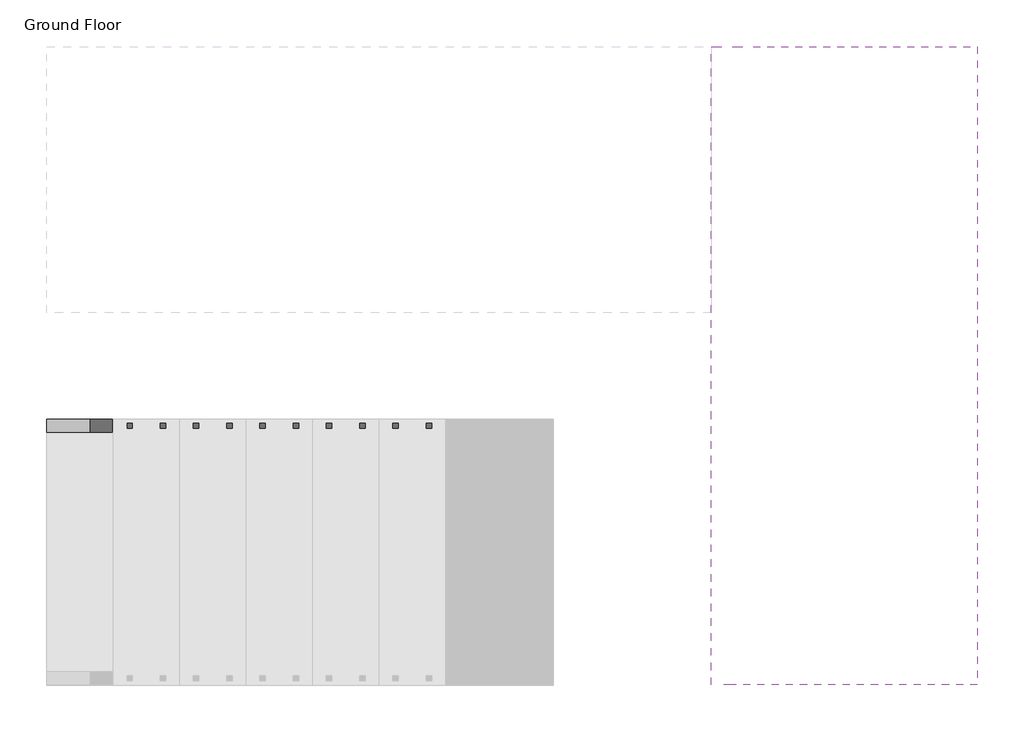
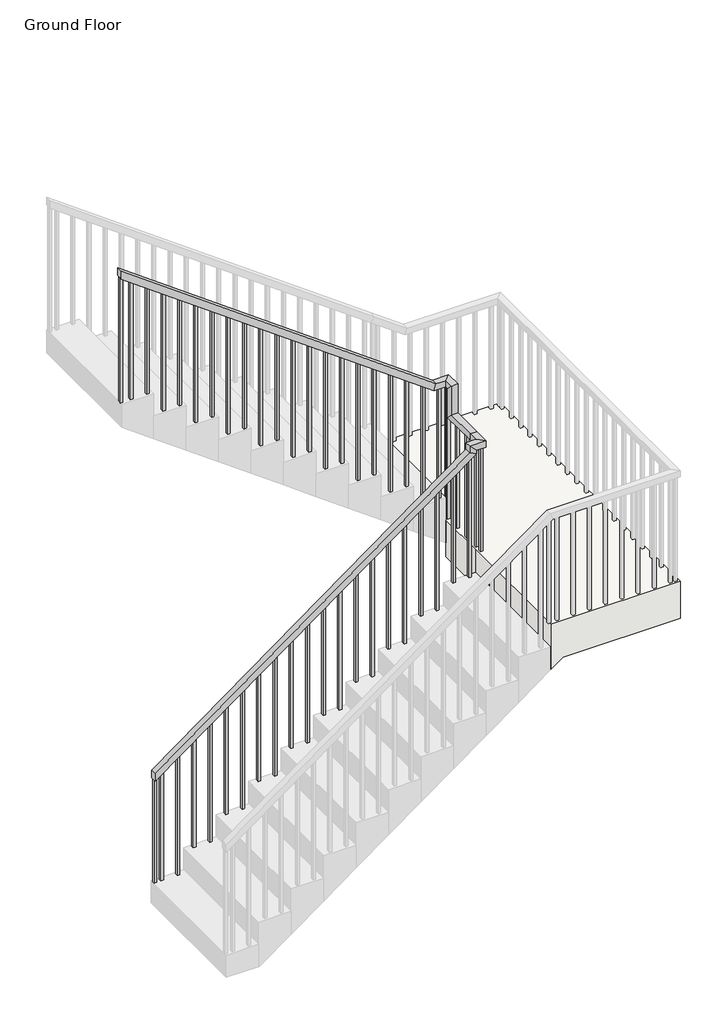
# One storey, part 2 of 2: 1 railing, 1 slab.
"""IFC4 building model written with IfcOpenShell, lengths in millimetres."""

import ifcopenshell
import ifcopenshell.guid

model = None  # the IFC model being written
_history = None  # IfcOwnerHistory: only IFC2X3 demands one
_inside = {}  # id of a spatial element -> (the spatial element, [elements in it])
_under = {}  # id of a project, library or spatial element -> (it, [spatial elements below it])
_declared = {}  # id of a project -> (the project, [libraries it declares])
_typed = {}  # id of a type object -> (the type object, [elements of that type])
_made_of = {}  # id of a material, layer set ... -> (it, [elements and type objects made of it])


def new_model(schema):
    """Start an empty IFC model of exactly this schema.

    Asked for "IFC4X3", IfcOpenShell would pick the latest addendum, in which some entities
    have other attributes; the version numbers below select the first issue.
    IFC2X3 requires an IfcOwnerHistory on every rooted entity: one is made here for all.
    """
    global model, _history
    if schema == "IFC4X3":
        model = ifcopenshell.file(schema_version=(4, 3, 0, 0))
    else:
        model = ifcopenshell.file(schema=schema)
    _inside.clear()
    _under.clear()
    _declared.clear()
    _typed.clear()
    _made_of.clear()
    _history = None
    if model.schema == "IFC2X3":
        org = make("IfcOrganization", Name="unknown")
        user = make(
            "IfcPersonAndOrganization",
            ThePerson=make("IfcPerson", FamilyName="unknown"),
            TheOrganization=org,
        )
        app = make(
            "IfcApplication",
            ApplicationDeveloper=org,
            Version="unknown",
            ApplicationFullName="unknown",
            ApplicationIdentifier="unknown",
        )
        _history = make(
            "IfcOwnerHistory",
            OwningUser=user,
            OwningApplication=app,
            ChangeAction="ADDED",
            CreationDate=0,
        )
    return model


def make(cls, **values):
    """One entity of the class cls with the attributes given. An attribute that is None is left unset."""
    return model.create_entity(
        cls, **{name: value for name, value in values.items() if value is not None}
    )


def rooted(cls, **values):
    """An entity with a GlobalId (a new one), such as an element, a storey or a relation."""
    return make(cls, GlobalId=ifcopenshell.guid.new(), OwnerHistory=_history, **values)


def si_unit(unit_type, name, prefix=None):
    """IfcSIUnit, for example si_unit("LENGTHUNIT", "METRE", prefix="MILLI")."""
    return make("IfcSIUnit", UnitType=unit_type, Prefix=prefix, Name=name)


def assignment(units):
    """IfcUnitAssignment: the units of a project."""
    return None if units is None else make("IfcUnitAssignment", Units=units)


def point(xyz):
    """IfcCartesianPoint."""
    return None if xyz is None else make("IfcCartesianPoint", Coordinates=xyz)


def direction(xyz):
    """IfcDirection."""
    return None if xyz is None else make("IfcDirection", DirectionRatios=xyz)


def frame(location, z_axis=None, x_axis=None):
    """IfcAxis2Placement3D, a coordinate frame: its origin and axes. An axis left out is left unset."""
    return make(
        "IfcAxis2Placement3D",
        Location=point(location),
        Axis=direction(z_axis),
        RefDirection=direction(x_axis),
    )


def origin():
    """The frame at (0, 0, 0) with its axes left unset."""
    return frame((0.0, 0.0, 0.0))


def place(relative_to, where):
    """IfcLocalPlacement: puts the frame where relative to a parent placement (None: the world)."""
    return make(
        "IfcLocalPlacement", PlacementRelTo=relative_to, RelativePlacement=where
    )


def context(
    kind, dimensions, precision=None, world=None, true_north=None, identifier=None
):
    """IfcGeometricRepresentationContext, for example the 3D "Model" context."""
    return make(
        "IfcGeometricRepresentationContext",
        ContextIdentifier=identifier,
        ContextType=kind,
        CoordinateSpaceDimension=dimensions,
        Precision=precision,
        WorldCoordinateSystem=world,
        TrueNorth=true_north,
    )


def project(units=None, contexts=None):
    """IfcProject with its units and contexts."""
    return rooted(
        "IfcProject",
        Name="project",
        RepresentationContexts=contexts,
        UnitsInContext=assignment(units),
    )


def spatial(cls, under=None, at=None, **own):
    """A site, building, storey or space (cls), placed at a placement, below another one or the project."""
    s = rooted(cls, ObjectPlacement=at, **own)
    if under is not None:
        _under.setdefault(under.id(), (under, []))[1].append(s)
    return s


def polyline(points):
    """IfcPolyline through the points."""
    return make("IfcPolyline", Points=[point(p) for p in points])


def outline(outer, holes=None, kind="AREA"):
    """IfcArbitraryClosedProfileDef: a profile drawn as a closed curve; with holes, ...WithVoids."""
    if holes is None:
        return make("IfcArbitraryClosedProfileDef", ProfileType=kind, OuterCurve=outer)
    return make(
        "IfcArbitraryProfileDefWithVoids",
        ProfileType=kind,
        OuterCurve=outer,
        InnerCurves=holes,
    )


def extrude(swept, where, along, depth):
    """IfcExtrudedAreaSolid: the profile swept, set in the frame where, extruded along a direction by depth."""
    return make(
        "IfcExtrudedAreaSolid",
        SweptArea=swept,
        Position=where,
        ExtrudedDirection=direction(along),
        Depth=depth,
    )


def faces_of(points, faces, orient=None, outer=None):
    """IfcFace entities. A face is a list of loops; a loop is a list of indices into points, from 0.

    orient and outer hold one flag for each loop. By default every Orientation is true, the
    first loop of a face is its IfcFaceOuterBound and the others are IfcFaceBound.
    """
    made = []
    for i, loops in enumerate(faces):
        bounds = []
        for j, loop in enumerate(loops):
            is_outer = j == 0 if outer is None else outer[i][j]
            bounds.append(
                make(
                    "IfcFaceOuterBound" if is_outer else "IfcFaceBound",
                    Bound=make("IfcPolyLoop", Polygon=[points[k] for k in loop]),
                    Orientation=True if orient is None else orient[i][j],
                )
            )
        made.append(make("IfcFace", Bounds=bounds))
    return made


def faceted_brep(points, faces, orient=None, outer=None, voids=None):
    """IfcFacetedBrep: a solid bounded by flat faces; with voids (closed shells), ...WithVoids."""
    shared = [point(p) for p in points]
    hull = make("IfcClosedShell", CfsFaces=faces_of(shared, faces, orient, outer))
    if voids is None:
        return make("IfcFacetedBrep", Outer=hull)
    return make(
        "IfcFacetedBrepWithVoids",
        Outer=hull,
        Voids=[
            make(cls, CfsFaces=faces_of(shared, fs, o, b)) for cls, fs, o, b in voids
        ],
    )


def shape(context_of_items, identifier, shape_type, items):
    """IfcShapeRepresentation: the items that make up one representation, for example the "Body"."""
    return make(
        "IfcShapeRepresentation",
        ContextOfItems=context_of_items,
        RepresentationIdentifier=identifier,
        RepresentationType=shape_type,
        Items=items,
    )


def made_of(thing, what):
    """Note that an element or type object is made of a material, layer set ...; save() writes the relation."""
    if what is not None:
        _made_of.setdefault(what.id(), (what, []))[1].append(thing)
    return thing


def element(
    cls,
    number,
    at=None,
    inside=None,
    cuts=None,
    type_object=None,
    material=None,
    context=None,
    identifier="Body",
    shape_type=None,
    held_by="IfcProductDefinitionShape",
    body=None,
    shapes=None,
    **own,
):
    """One element of the class cls, such as IfcWall. Its Tag is "e" and its number.

    at: its placement. inside: the storey or other place that contains it. cuts: it is an
    opening in that element (IfcRelVoidsElement). A single representation is given by context,
    identifier, shape_type and body (its items); several are given by shapes. held_by: the class
    of the entity that holds the representations. save() writes the other relations.
    """
    e = rooted(cls, Tag="e%d" % number, ObjectPlacement=at, **own)
    if body is not None:
        shapes = [shape(context, identifier, shape_type, body)]
    if shapes is not None:
        e.Representation = make(held_by, Representations=shapes)
    if inside is not None:
        _inside.setdefault(inside.id(), (inside, []))[1].append(e)
    if cuts is not None:
        rooted(
            "IfcRelVoidsElement", RelatingBuildingElement=cuts, RelatedOpeningElement=e
        )
    if type_object is not None:
        _typed.setdefault(type_object.id(), (type_object, []))[1].append(e)
    return made_of(e, material)


def aggregate(whole, parts):
    """IfcRelAggregates: a whole, such as a stair, and the parts it consists of."""
    return rooted("IfcRelAggregates", RelatingObject=whole, RelatedObjects=parts)


def save(model, path):
    """Write the relations noted so far, then the file.

    IfcRelAggregates (storeys below a building ...), IfcRelContainedInSpatialStructure (elements
    in a storey), IfcRelDefinesByType, IfcRelAssociatesMaterial and IfcRelDeclares: one each for
    every whole, place, type object, material and project.
    """
    for whole, parts in _under.values():
        aggregate(whole, parts)
    for where, things in _inside.values():
        rooted(
            "IfcRelContainedInSpatialStructure",
            RelatedElements=things,
            RelatingStructure=where,
        )
    for kind, things in _typed.values():
        rooted("IfcRelDefinesByType", RelatedObjects=things, RelatingType=kind)
    for what, things in _made_of.values():
        rooted("IfcRelAssociatesMaterial", RelatedObjects=things, RelatingMaterial=what)
    for by, libraries in _declared.values():
        rooted("IfcRelDeclares", RelatingContext=by, RelatedDefinitions=libraries)
    model.write(path)


model = new_model("IFC4")

# Units and contexts
model_context = context("Model", 3, world=origin())
ifc_project = project(units=[si_unit("LENGTHUNIT", "METRE", prefix="MILLI")], contexts=[model_context])

# Site, building, storey
site = spatial("IfcSite", under=ifc_project)
building = spatial("IfcBuilding", under=site)
storey = spatial("IfcBuildingStorey", under=building, Name="Ground Floor", Elevation=0.0)

# Railing
placement = place(None, origin())
element("IfcRailing", 1, ObjectType="900mm", at=placement, inside=storey, context=model_context, shape_type="SolidModel", body=[
    faceted_brep([(-5015.7705713, 2883.9919433, 1081.8181818), (-5015.7705713, 2883.9919433, 1019.9933159), (-5015.7705713, 2833.9919433, 1019.9933159), (-5015.7705713, 2833.9919433, 1081.8181818), (-2590.3705713, 2883.9919433, 2845.7454545), (-2540.3705713, 2883.9919433, 2820.284225), (-2540.3705713, 2833.9919433, 2820.284225), (-2590.3705713, 2833.9919433, 2845.7454545), (-2590.3705713, 2883.9919433, 2900.0), (-2540.3705713, 2883.9919433, 2850.0), (-2540.3705713, 2833.9919433, 2850.0), (-2590.3705713, 2833.9919433, 2900.0), (-2515.3705713, 2883.9919433, 2900.0), (-2515.3705713, 2883.9919433, 2850.0), (-2465.3705713, 2833.9919433, 2850.0), (-2465.3705713, 2833.9919433, 2900.0), (-2515.3705713, 2958.9919433, 2900.0), (-2515.3705713, 2958.9919433, 2850.0), (-2465.3705713, 2958.9919433, 2850.0), (-2465.3705713, 2958.9919433, 2900.0), (-2515.3705713, 3209.7919433, 2900.0), (-2515.3705713, 3259.7919433, 2850.0), (-2465.3705713, 3259.7919433, 2850.0), (-2465.3705713, 3209.7919433, 2900.0), (-2515.3705713, 3209.7919433, 3136.0727273), (-2515.3705713, 3259.7919433, 3086.0727273), (-2465.3705713, 3259.7919433, 3086.0727273), (-2465.3705713, 3209.7919433, 3136.0727273), (-2515.3705713, 3284.7919433, 3136.0727273), (-2515.3705713, 3284.7919433, 3086.0727273), (-2465.3705713, 3334.7919433, 3086.0727273), (-2465.3705713, 3334.7919433, 3136.0727273), (-2590.3705713, 3284.7919433, 3136.0727273), (-2606.629762, 3284.7919433, 3086.0727273), (-2606.629762, 3334.7919433, 3086.0727273), (-2590.3705713, 3334.7919433, 3136.0727273), (-5015.7705713, 3284.7919433, 4900.0), (-5015.7705713, 3334.7919433, 4900.0), (-5015.7705713, 3334.7919433, 4838.1751341), (-5015.7705713, 3284.7919433, 4838.1751341)], [[[0, 1, 2, 3]], [[1, 0, 4, 5]], [[2, 1, 5, 6]], [[3, 2, 6, 7]], [[0, 3, 7, 4]], [[5, 4, 8, 9]], [[6, 5, 9, 10]], [[7, 6, 10, 11]], [[4, 7, 11, 8]], [[9, 8, 12, 13]], [[10, 9, 13, 14]], [[11, 10, 14, 15]], [[8, 11, 15, 12]], [[13, 12, 16, 17]], [[14, 13, 17, 18]], [[15, 14, 18, 19]], [[12, 15, 19, 16]], [[17, 16, 20, 21]], [[18, 17, 21, 22]], [[19, 18, 22, 23]], [[16, 19, 23, 20]], [[21, 20, 24, 25]], [[22, 21, 25, 26]], [[23, 22, 26, 27]], [[20, 23, 27, 24]], [[25, 24, 28, 29]], [[26, 25, 29, 30]], [[27, 26, 30, 31]], [[24, 27, 31, 28]], [[29, 28, 32, 33]], [[30, 29, 33, 34]], [[31, 30, 34, 35]], [[28, 31, 35, 32]], [[36, 37, 38, 39]], [[33, 32, 36, 39]], [[34, 33, 39, 38]], [[35, 34, 38, 37]], [[32, 35, 37, 36]]]),
    extrude(outline(polyline([(4766.9751341, -4917.8705713), (4781.5205886, -4937.8705713), (3818.1818182, -4937.8705713), (3818.1818182, -4917.8705713), (4766.9751341, -4917.8705713)])), frame((0.0, 3299.7919433, 0.0), z_axis=(0.0, 1.0, 0.0), x_axis=(0.0, 0.0, 1.0)), (0.0, 0.0, 1.0), 20.0),
    extrude(outline(polyline([(4676.0660431, -4792.8705713), (4690.6114977, -4812.8705713), (3818.1818182, -4812.8705713), (3818.1818182, -4792.8705713), (4676.0660431, -4792.8705713)])), frame((0.0, 3299.7919433, 0.0), z_axis=(0.0, 1.0, 0.0), x_axis=(0.0, 0.0, 1.0)), (0.0, 0.0, 1.0), 20.0),
    extrude(outline(polyline([(4585.1569522, -4667.8705713), (4599.7024068, -4687.8705713), (3636.3636364, -4687.8705713), (3636.3636364, -4667.8705713), (4585.1569522, -4667.8705713)])), frame((0.0, 3299.7919433, 0.0), z_axis=(0.0, 1.0, 0.0), x_axis=(0.0, 0.0, 1.0)), (0.0, 0.0, 1.0), 20.0),
    extrude(outline(polyline([(4494.2478613, -4542.8705713), (4508.7933159, -4562.8705713), (3636.3636364, -4562.8705713), (3636.3636364, -4542.8705713), (4494.2478613, -4542.8705713)])), frame((0.0, 3299.7919433, 0.0), z_axis=(0.0, 1.0, 0.0), x_axis=(0.0, 0.0, 1.0)), (0.0, 0.0, 1.0), 20.0),
    extrude(outline(polyline([(4403.3387704, -4417.8705713), (4417.884225, -4437.8705713), (3454.5454545, -4437.8705713), (3454.5454545, -4417.8705713), (4403.3387704, -4417.8705713)])), frame((0.0, 3299.7919433, 0.0), z_axis=(0.0, 1.0, 0.0), x_axis=(0.0, 0.0, 1.0)), (0.0, 0.0, 1.0), 20.0),
    extrude(outline(polyline([(4312.4296795, -4292.8705713), (4326.9751341, -4312.8705713), (3454.5454545, -4312.8705713), (3454.5454545, -4292.8705713), (4312.4296795, -4292.8705713)])), frame((0.0, 3299.7919433, 0.0), z_axis=(0.0, 1.0, 0.0), x_axis=(0.0, 0.0, 1.0)), (0.0, 0.0, 1.0), 20.0),
    extrude(outline(polyline([(4221.5205886, -4167.8705713), (4236.0660431, -4187.8705713), (3272.7272727, -4187.8705713), (3272.7272727, -4167.8705713), (4221.5205886, -4167.8705713)])), frame((0.0, 3299.7919433, 0.0), z_axis=(0.0, 1.0, 0.0), x_axis=(0.0, 0.0, 1.0)), (0.0, 0.0, 1.0), 20.0),
    extrude(outline(polyline([(4130.6114977, -4042.8705713), (4145.1569522, -4062.8705713), (3272.7272727, -4062.8705713), (3272.7272727, -4042.8705713), (4130.6114977, -4042.8705713)])), frame((0.0, 3299.7919433, 0.0), z_axis=(0.0, 1.0, 0.0), x_axis=(0.0, 0.0, 1.0)), (0.0, 0.0, 1.0), 20.0),
    extrude(outline(polyline([(4039.7024068, -3917.8705713), (4054.2478613, -3937.8705713), (3090.9090909, -3937.8705713), (3090.9090909, -3917.8705713), (4039.7024068, -3917.8705713)])), frame((0.0, 3299.7919433, 0.0), z_axis=(0.0, 1.0, 0.0), x_axis=(0.0, 0.0, 1.0)), (0.0, 0.0, 1.0), 20.0),
    extrude(outline(polyline([(3948.7933159, -3792.8705713), (3963.3387704, -3812.8705713), (3090.9090909, -3812.8705713), (3090.9090909, -3792.8705713), (3948.7933159, -3792.8705713)])), frame((0.0, 3299.7919433, 0.0), z_axis=(0.0, 1.0, 0.0), x_axis=(0.0, 0.0, 1.0)), (0.0, 0.0, 1.0), 20.0),
    extrude(outline(polyline([(3857.884225, -3667.8705713), (3872.4296795, -3687.8705713), (2909.0909091, -3687.8705713), (2909.0909091, -3667.8705713), (3857.884225, -3667.8705713)])), frame((0.0, 3299.7919433, 0.0), z_axis=(0.0, 1.0, 0.0), x_axis=(0.0, 0.0, 1.0)), (0.0, 0.0, 1.0), 20.0),
    extrude(outline(polyline([(3766.9751341, -3542.8705713), (3781.5205886, -3562.8705713), (2909.0909091, -3562.8705713), (2909.0909091, -3542.8705713), (3766.9751341, -3542.8705713)])), frame((0.0, 3299.7919433, 0.0), z_axis=(0.0, 1.0, 0.0), x_axis=(0.0, 0.0, 1.0)), (0.0, 0.0, 1.0), 20.0),
    extrude(outline(polyline([(3676.0660431, -3417.8705713), (3690.6114977, -3437.8705713), (2727.2727273, -3437.8705713), (2727.2727273, -3417.8705713), (3676.0660431, -3417.8705713)])), frame((0.0, 3299.7919433, 0.0), z_axis=(0.0, 1.0, 0.0), x_axis=(0.0, 0.0, 1.0)), (0.0, 0.0, 1.0), 20.0),
    extrude(outline(polyline([(3585.1569522, -3292.8705713), (3599.7024068, -3312.8705713), (2727.2727273, -3312.8705713), (2727.2727273, -3292.8705713), (3585.1569522, -3292.8705713)])), frame((0.0, 3299.7919433, 0.0), z_axis=(0.0, 1.0, 0.0), x_axis=(0.0, 0.0, 1.0)), (0.0, 0.0, 1.0), 20.0),
    extrude(outline(polyline([(3494.2478613, -3167.8705713), (3508.7933159, -3187.8705713), (2545.4545455, -3187.8705713), (2545.4545455, -3167.8705713), (3494.2478613, -3167.8705713)])), frame((0.0, 3299.7919433, 0.0), z_axis=(0.0, 1.0, 0.0), x_axis=(0.0, 0.0, 1.0)), (0.0, 0.0, 1.0), 20.0),
    extrude(outline(polyline([(3403.3387704, -3042.8705713), (3417.884225, -3062.8705713), (2545.4545455, -3062.8705713), (2545.4545455, -3042.8705713), (3403.3387704, -3042.8705713)])), frame((0.0, 3299.7919433, 0.0), z_axis=(0.0, 1.0, 0.0), x_axis=(0.0, 0.0, 1.0)), (0.0, 0.0, 1.0), 20.0),
    extrude(outline(polyline([(3312.4296795, -2917.8705713), (3326.9751341, -2937.8705713), (2363.6363636, -2937.8705713), (2363.6363636, -2917.8705713), (3312.4296795, -2917.8705713)])), frame((0.0, 3299.7919433, 0.0), z_axis=(0.0, 1.0, 0.0), x_axis=(0.0, 0.0, 1.0)), (0.0, 0.0, 1.0), 20.0),
    extrude(outline(polyline([(3221.5205886, -2792.8705713), (3236.0660431, -2812.8705713), (2363.6363636, -2812.8705713), (2363.6363636, -2792.8705713), (3221.5205886, -2792.8705713)])), frame((0.0, 3299.7919433, 0.0), z_axis=(0.0, 1.0, 0.0), x_axis=(0.0, 0.0, 1.0)), (0.0, 0.0, 1.0), 20.0),
    extrude(outline(polyline([(3130.6114977, -2667.8705713), (3145.1569522, -2687.8705713), (2181.8181818, -2687.8705713), (2181.8181818, -2667.8705713), (3130.6114977, -2667.8705713)])), frame((0.0, 3299.7919433, 0.0), z_axis=(0.0, 1.0, 0.0), x_axis=(0.0, 0.0, 1.0)), (0.0, 0.0, 1.0), 20.0),
    extrude(outline(polyline([(-2542.8705713, 3299.7919433), (-2562.8705713, 3299.7919433), (-2562.8705713, 3319.7919433), (-2542.8705713, 3319.7919433), (-2542.8705713, 3299.7919433)])), frame((0.0, 0.0, 2181.8181818), z_axis=(0.0, 0.0, 1.0), x_axis=(1.0, 0.0, 0.0)), (0.0, 0.0, 1.0), 904.2545455),
    extrude(outline(polyline([(-2500.3705713, 3286.4919433), (-2500.3705713, 3306.4919433), (-2480.3705713, 3306.4919433), (-2480.3705713, 3286.4919433), (-2500.3705713, 3286.4919433)])), frame((0.0, 0.0, 2000.0), z_axis=(0.0, 0.0, 1.0), x_axis=(1.0, 0.0, 0.0)), (0.0, 0.0, 1.0), 1086.0727273),
    extrude(outline(polyline([(-2500.3705713, 3161.4919433), (-2500.3705713, 3181.4919433), (-2480.3705713, 3181.4919433), (-2480.3705713, 3161.4919433), (-2500.3705713, 3161.4919433)])), frame((0.0, 0.0, 2000.0), z_axis=(0.0, 0.0, 1.0), x_axis=(1.0, 0.0, 0.0)), (0.0, 0.0, 1.0), 850.0),
    extrude(outline(polyline([(-2500.3705713, 3036.4919433), (-2500.3705713, 3056.4919433), (-2480.3705713, 3056.4919433), (-2480.3705713, 3036.4919433), (-2500.3705713, 3036.4919433)])), frame((0.0, 0.0, 2000.0), z_axis=(0.0, 0.0, 1.0), x_axis=(1.0, 0.0, 0.0)), (0.0, 0.0, 1.0), 850.0),
    extrude(outline(polyline([(-2500.3705713, 2911.4919433), (-2500.3705713, 2931.4919433), (-2480.3705713, 2931.4919433), (-2480.3705713, 2911.4919433), (-2500.3705713, 2911.4919433)])), frame((0.0, 0.0, 2000.0), z_axis=(0.0, 0.0, 1.0), x_axis=(1.0, 0.0, 0.0)), (0.0, 0.0, 1.0), 850.0),
    extrude(outline(polyline([(-2588.2705713, 2868.9919433), (-2568.2705713, 2868.9919433), (-2568.2705713, 2848.9919433), (-2588.2705713, 2848.9919433), (-2588.2705713, 2868.9919433)])), frame((0.0, 0.0, 1818.1818182), z_axis=(0.0, 0.0, 1.0), x_axis=(1.0, 0.0, 0.0)), (0.0, 0.0, 1.0), 1031.8181818),
    extrude(outline(polyline([(1818.1818182, -2713.2705713), (1818.1818182, -2693.2705713), (2709.084225, -2693.2705713), (2694.5387704, -2713.2705713), (1818.1818182, -2713.2705713)])), frame((0.0, 2848.9919433, 0.0), z_axis=(0.0, 1.0, 0.0), x_axis=(0.0, 0.0, 1.0)), (0.0, 0.0, 1.0), 20.0),
    extrude(outline(polyline([(1636.3636364, -2838.2705713), (1636.3636364, -2818.2705713), (2618.1751341, -2818.2705713), (2603.6296795, -2838.2705713), (1636.3636364, -2838.2705713)])), frame((0.0, 2848.9919433, 0.0), z_axis=(0.0, 1.0, 0.0), x_axis=(0.0, 0.0, 1.0)), (0.0, 0.0, 1.0), 20.0),
    extrude(outline(polyline([(1636.3636364, -2963.2705713), (1636.3636364, -2943.2705713), (2527.2660431, -2943.2705713), (2512.7205886, -2963.2705713), (1636.3636364, -2963.2705713)])), frame((0.0, 2848.9919433, 0.0), z_axis=(0.0, 1.0, 0.0), x_axis=(0.0, 0.0, 1.0)), (0.0, 0.0, 1.0), 20.0),
    extrude(outline(polyline([(1454.5454545, -3088.2705713), (1454.5454545, -3068.2705713), (2436.3569522, -3068.2705713), (2421.8114977, -3088.2705713), (1454.5454545, -3088.2705713)])), frame((0.0, 2848.9919433, 0.0), z_axis=(0.0, 1.0, 0.0), x_axis=(0.0, 0.0, 1.0)), (0.0, 0.0, 1.0), 20.0),
    extrude(outline(polyline([(1454.5454545, -3213.2705713), (1454.5454545, -3193.2705713), (2345.4478613, -3193.2705713), (2330.9024068, -3213.2705713), (1454.5454545, -3213.2705713)])), frame((0.0, 2848.9919433, 0.0), z_axis=(0.0, 1.0, 0.0), x_axis=(0.0, 0.0, 1.0)), (0.0, 0.0, 1.0), 20.0),
    extrude(outline(polyline([(1272.7272727, -3338.2705713), (1272.7272727, -3318.2705713), (2254.5387704, -3318.2705713), (2239.9933159, -3338.2705713), (1272.7272727, -3338.2705713)])), frame((0.0, 2848.9919433, 0.0), z_axis=(0.0, 1.0, 0.0), x_axis=(0.0, 0.0, 1.0)), (0.0, 0.0, 1.0), 20.0),
    extrude(outline(polyline([(1272.7272727, -3463.2705713), (1272.7272727, -3443.2705713), (2163.6296795, -3443.2705713), (2149.084225, -3463.2705713), (1272.7272727, -3463.2705713)])), frame((0.0, 2848.9919433, 0.0), z_axis=(0.0, 1.0, 0.0), x_axis=(0.0, 0.0, 1.0)), (0.0, 0.0, 1.0), 20.0),
    extrude(outline(polyline([(1090.9090909, -3588.2705713), (1090.9090909, -3568.2705713), (2072.7205886, -3568.2705713), (2058.1751341, -3588.2705713), (1090.9090909, -3588.2705713)])), frame((0.0, 2848.9919433, 0.0), z_axis=(0.0, 1.0, 0.0), x_axis=(0.0, 0.0, 1.0)), (0.0, 0.0, 1.0), 20.0),
    extrude(outline(polyline([(1090.9090909, -3713.2705713), (1090.9090909, -3693.2705713), (1981.8114977, -3693.2705713), (1967.2660431, -3713.2705713), (1090.9090909, -3713.2705713)])), frame((0.0, 2848.9919433, 0.0), z_axis=(0.0, 1.0, 0.0), x_axis=(0.0, 0.0, 1.0)), (0.0, 0.0, 1.0), 20.0),
    extrude(outline(polyline([(909.0909091, -3838.2705713), (909.0909091, -3818.2705713), (1890.9024068, -3818.2705713), (1876.3569522, -3838.2705713), (909.0909091, -3838.2705713)])), frame((0.0, 2848.9919433, 0.0), z_axis=(0.0, 1.0, 0.0), x_axis=(0.0, 0.0, 1.0)), (0.0, 0.0, 1.0), 20.0),
    extrude(outline(polyline([(909.0909091, -3963.2705713), (909.0909091, -3943.2705713), (1799.9933159, -3943.2705713), (1785.4478613, -3963.2705713), (909.0909091, -3963.2705713)])), frame((0.0, 2848.9919433, 0.0), z_axis=(0.0, 1.0, 0.0), x_axis=(0.0, 0.0, 1.0)), (0.0, 0.0, 1.0), 20.0),
    extrude(outline(polyline([(727.2727273, -4088.2705713), (727.2727273, -4068.2705713), (1709.084225, -4068.2705713), (1694.5387704, -4088.2705713), (727.2727273, -4088.2705713)])), frame((0.0, 2848.9919433, 0.0), z_axis=(0.0, 1.0, 0.0), x_axis=(0.0, 0.0, 1.0)), (0.0, 0.0, 1.0), 20.0),
    extrude(outline(polyline([(727.2727273, -4213.2705713), (727.2727273, -4193.2705713), (1618.1751341, -4193.2705713), (1603.6296795, -4213.2705713), (727.2727273, -4213.2705713)])), frame((0.0, 2848.9919433, 0.0), z_axis=(0.0, 1.0, 0.0), x_axis=(0.0, 0.0, 1.0)), (0.0, 0.0, 1.0), 20.0),
    extrude(outline(polyline([(545.4545455, -4338.2705713), (545.4545455, -4318.2705713), (1527.2660431, -4318.2705713), (1512.7205886, -4338.2705713), (545.4545455, -4338.2705713)])), frame((0.0, 2848.9919433, 0.0), z_axis=(0.0, 1.0, 0.0), x_axis=(0.0, 0.0, 1.0)), (0.0, 0.0, 1.0), 20.0),
    extrude(outline(polyline([(545.4545455, -4463.2705713), (545.4545455, -4443.2705713), (1436.3569522, -4443.2705713), (1421.8114977, -4463.2705713), (545.4545455, -4463.2705713)])), frame((0.0, 2848.9919433, 0.0), z_axis=(0.0, 1.0, 0.0), x_axis=(0.0, 0.0, 1.0)), (0.0, 0.0, 1.0), 20.0),
    extrude(outline(polyline([(363.6363636, -4588.2705713), (363.6363636, -4568.2705713), (1345.4478613, -4568.2705713), (1330.9024068, -4588.2705713), (363.6363636, -4588.2705713)])), frame((0.0, 2848.9919433, 0.0), z_axis=(0.0, 1.0, 0.0), x_axis=(0.0, 0.0, 1.0)), (0.0, 0.0, 1.0), 20.0),
    extrude(outline(polyline([(363.6363636, -4713.2705713), (363.6363636, -4693.2705713), (1254.5387704, -4693.2705713), (1239.9933159, -4713.2705713), (363.6363636, -4713.2705713)])), frame((0.0, 2848.9919433, 0.0), z_axis=(0.0, 1.0, 0.0), x_axis=(0.0, 0.0, 1.0)), (0.0, 0.0, 1.0), 20.0),
    extrude(outline(polyline([(181.8181818, -4838.2705713), (181.8181818, -4818.2705713), (1163.6296795, -4818.2705713), (1149.084225, -4838.2705713), (181.8181818, -4838.2705713)])), frame((0.0, 2848.9919433, 0.0), z_axis=(0.0, 1.0, 0.0), x_axis=(0.0, 0.0, 1.0)), (0.0, 0.0, 1.0), 20.0),
    extrude(outline(polyline([(181.8181818, -4963.2705713), (181.8181818, -4943.2705713), (1072.7205886, -4943.2705713), (1058.1751341, -4963.2705713), (181.8181818, -4963.2705713)])), frame((0.0, 2848.9919433, 0.0), z_axis=(0.0, 1.0, 0.0), x_axis=(0.0, 0.0, 1.0)), (0.0, 0.0, 1.0), 20.0),
    extrude(outline(polyline([(-2500.3705713, 3299.7919433), (-2500.3705713, 3319.7919433), (-2480.3705713, 3319.7919433), (-2480.3705713, 3299.7919433), (-2500.3705713, 3299.7919433)])), frame((0.0, 0.0, 2000.0), z_axis=(0.0, 0.0, 1.0), x_axis=(1.0, 0.0, 0.0)), (0.0, 0.0, 1.0), 1086.0727273),
    extrude(outline(polyline([(-2500.3705713, 2868.9919433), (-2480.3705713, 2868.9919433), (-2480.3705713, 2848.9919433), (-2500.3705713, 2848.9919433), (-2500.3705713, 2868.9919433)])), frame((0.0, 0.0, 2000.0), z_axis=(0.0, 0.0, 1.0), x_axis=(1.0, 0.0, 0.0)), (0.0, 0.0, 1.0), 850.0),
    extrude(outline(polyline([(4823.6296795, -4995.7705713), (4838.1751341, -5015.7705713), (3818.1818182, -5015.7705713), (3818.1818182, -4995.7705713), (4823.6296795, -4995.7705713)])), frame((0.0, 3299.7919433, 0.0), z_axis=(0.0, 1.0, 0.0), x_axis=(0.0, 0.0, 1.0)), (0.0, 0.0, 1.0), 20.0),
    extrude(outline(polyline([(181.8181818, -5015.7705713), (181.8181818, -4995.7705713), (1034.5387704, -4995.7705713), (1019.9933159, -5015.7705713), (181.8181818, -5015.7705713)])), frame((0.0, 2848.9919433, 0.0), z_axis=(0.0, 1.0, 0.0), x_axis=(0.0, 0.0, 1.0)), (0.0, 0.0, 1.0), 20.0),
])

# Slab
element("IfcSlab", 2, ObjectType="300mm Thickness", at=placement, inside=storey, context=model_context, shape_type="Brep", body=[
    faceted_brep([(-2515.7705713, 2884.3919433, 2000.0), (-2515.7705713, 1884.3919433, 2000.0), (-2423.2429993, 1884.3919433, 2000.0), (-1515.7705713, 1884.3919433, 2000.0), (-1515.7705713, 4284.3919433, 2000.0), (-2358.2981433, 4284.3919433, 2000.0), (-2515.7705713, 4284.3919433, 2000.0), (-2515.7705713, 3284.3919433, 2000.0), (-2515.7705713, 2884.3919433, 1700.0), (-2515.7705713, 2884.3919433, 1632.7072203), (-2515.7705713, 1884.3919433, 1632.7072203), (-2515.7705713, 1884.3919433, 1818.1818182), (-2423.2429993, 1884.3919433, 1700.0), (-1515.7705713, 1884.3919433, 1700.0), (-1515.7705713, 4284.3919433, 1700.0), (-2358.2981433, 4284.3919433, 1700.0), (-2515.7705713, 4284.3919433, 1814.5254022), (-2515.7705713, 3284.3919433, 1814.5254022), (-2515.7705713, 3284.3919433, 1700.0), (-2358.2981433, 3284.3919433, 1700.0), (-2423.2429993, 2884.3919433, 1700.0)], [[[0, 1, 2, 3, 4, 5, 6, 7]], [[1, 0, 8, 9, 10, 11]], [[1, 11, 10, 12, 13, 3, 2]], [[4, 3, 13, 14]], [[4, 14, 15, 16, 6, 5]], [[7, 6, 16, 17]], [[0, 7, 17, 18, 8]], [[18, 19, 15, 14, 13, 12, 20, 8]], [[19, 18, 17]], [[20, 12, 10, 9]], [[8, 20, 9]], [[15, 19, 17, 16]]]),
])

save(model, "model.ifc")
